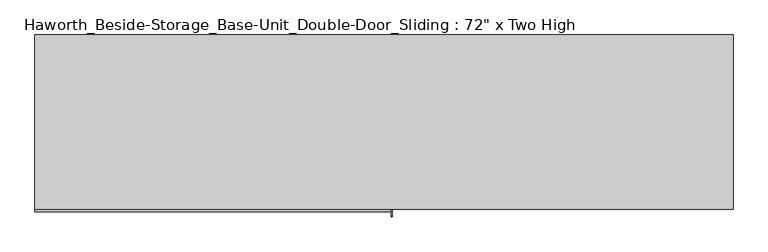
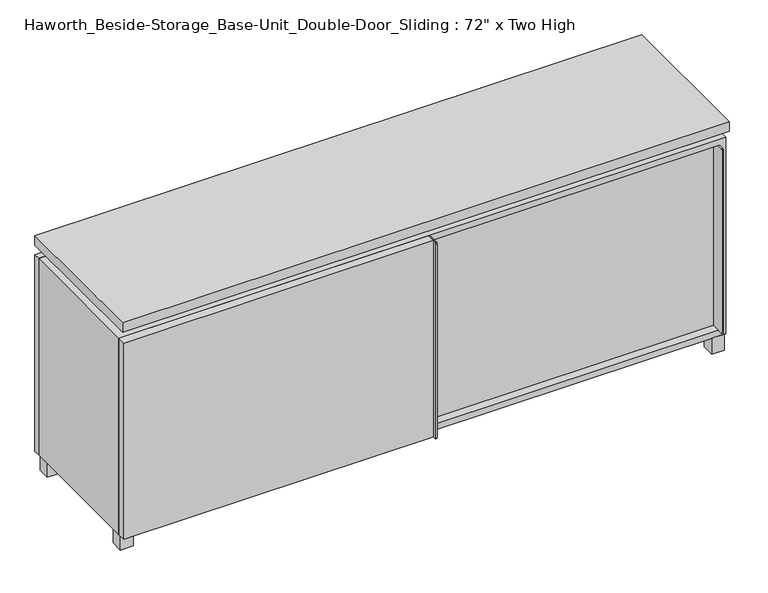
"""IFC4 building model written with IfcOpenShell, lengths in millimetres: furniture geometry."""

from ifc_helpers import new_model, si_unit, point, frame, frame_2d, origin, origin_with_axes, place, context, project, spatial, polyline, circle_curve, trimmed, segment, composite_curve, outline, extrude, faceted_brep, source, transform, mapped, element, save


def furniture_21020e76(model_context):
    return source(origin(), model_context, "Body", "SolidModel", [
        extrude(outline(polyline([(9.5319453, 241.3), (895.3569453, 241.3), (895.3569453, -92.075), (9.5319453, -92.075), (9.5319453, 241.3)])), frame((0.0, 0.0, 354.0125), z_axis=(0.0, 0.0, 1.0), x_axis=(1.0, 0.0, 0.0)), (0.0, 0.0, 1.0), 19.05),
        extrude(outline(polyline([(-9.5041641, 241.3), (-9.5041641, -92.075), (-895.3291641, -92.075), (-895.3291641, 241.3), (-9.5041641, 241.3)])), frame((0.0, 0.0, 354.0125), z_axis=(0.0, 0.0, 1.0), x_axis=(1.0, 0.0, 0.0)), (0.0, 0.0, 1.0), 19.05),
        extrude(outline(polyline([(-19.0361094, 88.9), (19.0638906, 88.9), (19.0638906, 50.8), (-19.0361094, 50.8), (-19.0361094, 88.9)])), origin_with_axes(), (0.0, 0.0, 1.0), 50.8),
        extrude(outline(composite_curve([segment(polyline([(-95.25, 657.225), (-95.25, 69.85), (-161.925, 69.85)]), True, "CONTINUOUS"), segment(trimmed(circle_curve(frame_2d((-161.925, 73.025)), 3.175), [point((-161.925, 69.85))], [point((-165.1, 73.025))], False, "CARTESIAN"), True, "CONTINUOUS"), segment(polyline([(-165.1, 73.025), (-165.1, 654.05)]), True, "CONTINUOUS"), segment(trimmed(circle_curve(frame_2d((-161.925, 654.05)), 3.175), [point((-165.1, 654.05))], [point((-161.925, 657.225))], False, "CARTESIAN"), True, "CONTINUOUS"), segment(polyline([(-161.925, 657.225), (-95.25, 657.225)]), True, "CONTINUOUS")], self_intersect=False)), frame((892.1819453, 0.0, 0.0), z_axis=(1.0, 0.0, 0.0), x_axis=(0.0, 1.0, 0.0)), (0.0, 0.0, 1.0), 3.175),
        extrude(outline(polyline([(15.8819453, -95.25), (892.1819453, -95.25), (892.1819453, -120.65), (15.8819453, -120.65), (15.8819453, -95.25)])), frame((0.0, 0.0, 69.85), z_axis=(0.0, 0.0, 1.0), x_axis=(1.0, 0.0, 0.0)), (0.0, 0.0, 1.0), 587.375),
        extrude(outline(polyline([(914.4138906, 292.1), (914.4138906, -165.1), (-914.3861094, -165.1), (-914.3861094, 292.1), (914.4138906, 292.1)])), frame((0.0, 0.0, 706.4375), z_axis=(0.0, 0.0, 1.0), x_axis=(1.0, 0.0, 0.0)), (0.0, 0.0, 1.0), 30.1625),
        extrude(outline(composite_curve([segment(polyline([(-146.05, 676.275), (-146.05, 50.8), (-180.975, 50.8)]), True, "CONTINUOUS"), segment(trimmed(circle_curve(frame_2d((-180.975, 53.975)), 3.175), [point((-180.975, 50.8))], [point((-184.15, 53.975))], False, "CARTESIAN"), True, "CONTINUOUS"), segment(polyline([(-184.15, 53.975), (-184.15, 673.1)]), True, "CONTINUOUS"), segment(trimmed(circle_curve(frame_2d((-180.975, 673.1)), 3.175), [point((-184.15, 673.1))], [point((-180.975, 676.275))], False, "CARTESIAN"), True, "CONTINUOUS"), segment(polyline([(-180.975, 676.275), (-146.05, 676.275)]), True, "CONTINUOUS")], self_intersect=False)), frame((19.0638906, 0.0, 0.0), z_axis=(1.0, 0.0, 0.0), x_axis=(0.0, 1.0, 0.0)), (0.0, 0.0, 1.0), 3.175),
        extrude(outline(polyline([(-914.3861094, -146.05), (19.0638906, -146.05), (19.0638906, -171.45), (-914.3861094, -171.45), (-914.3861094, -146.05)])), frame((0.0, 0.0, 50.8), z_axis=(0.0, 0.0, 1.0), x_axis=(1.0, 0.0, 0.0)), (0.0, 0.0, 1.0), 625.475),
        extrude(outline(polyline([(871.5513906, -107.95), (909.6513906, -107.95), (909.6513906, -146.05), (871.5513906, -146.05), (871.5513906, -107.95)])), origin_with_axes(), (0.0, 0.0, 1.0), 50.8),
        extrude(outline(polyline([(871.5513906, 234.95), (871.5513906, 273.05), (909.6513906, 273.05), (909.6513906, 234.95), (871.5513906, 234.95)])), origin_with_axes(), (0.0, 0.0, 1.0), 50.8),
        extrude(outline(polyline([(-871.5236094, -107.95), (-871.5236094, -146.05), (-909.6236094, -146.05), (-909.6236094, -107.95), (-871.5236094, -107.95)])), origin_with_axes(), (0.0, 0.0, 1.0), 50.8),
        extrude(outline(polyline([(-871.5236094, 234.95), (-909.6236094, 234.95), (-909.6236094, 273.05), (-871.5236094, 273.05), (-871.5236094, 234.95)])), origin_with_axes(), (0.0, 0.0, 1.0), 50.8),
        faceted_brep([(7.9513906, -120.65, 706.4375), (7.9513906, -120.65, 676.275), (7.9513906, 53.975, 676.275), (7.9513906, 53.975, 706.4375), (7.9513906, 247.65, 676.275), (7.9513906, 247.65, 706.4375), (7.9513906, 73.025, 706.4375), (7.9513906, 73.025, 676.275), (-7.9236094, 247.65, 706.4375), (-7.9236094, 247.65, 676.275), (-7.9236094, 73.025, 676.275), (-7.9236094, 73.025, 706.4375), (-7.9236094, -120.65, 676.275), (-7.9236094, -120.65, 706.4375), (-7.9236094, 53.975, 706.4375), (-7.9236094, 53.975, 676.275), (-873.0833281, 73.025, 706.4375), (-873.1041641, 247.65, 706.4375), (-888.9791641, 247.65, 706.4375), (-888.9791641, -120.65, 706.4375), (-873.1041641, -120.65, 706.4375), (-873.1041641, 53.975, 706.4375), (873.1111094, 53.975, 706.4375), (873.1111094, -120.65, 706.4375), (888.9861094, -120.65, 706.4375), (888.9861094, 247.65, 706.4375), (873.1111094, 247.65, 706.4375), (873.1111094, 73.025, 706.4375), (-873.0833281, 53.975, 676.275), (-873.1041641, -120.65, 676.275), (-888.9791641, -120.65, 676.275), (-888.9791641, 247.65, 676.275), (-873.1041641, 247.65, 676.275), (-873.1041641, 73.025, 676.275), (873.1111094, 73.025, 676.275), (873.1111094, 247.65, 676.275), (888.9861094, 247.65, 676.275), (888.9861094, -120.65, 676.275), (873.1111094, -120.65, 676.275), (873.1111094, 53.975, 676.275)], [[[0, 1, 2, 3]], [[4, 5, 6, 7]], [[8, 9, 10, 11]], [[12, 13, 14, 15]], [[5, 8, 11, 16, 17, 18, 19, 20, 21, 14, 13, 0, 3, 22, 23, 24, 25, 26, 27, 6]], [[1, 12, 15, 28, 29, 30, 31, 32, 33, 10, 9, 4, 7, 34, 35, 36, 37, 38, 39, 2]], [[5, 4, 9, 8]], [[1, 0, 13, 12]], [[6, 27, 34, 7]], [[22, 3, 2, 39]], [[20, 29, 28, 21]], [[32, 17, 16, 33]], [[18, 31, 30, 19]], [[29, 20, 19, 30]], [[17, 32, 31, 18]], [[26, 35, 34, 27]], [[38, 23, 22, 39]], [[25, 24, 37, 36]], [[23, 38, 37, 24]], [[35, 26, 25, 36]], [[16, 11, 10, 33]], [[14, 21, 28, 15]]]),
        extrude(outline(polyline([(9.5388906, 241.3), (9.5388906, -95.25), (-9.5111094, -95.25), (-9.5111094, 241.3), (9.5388906, 241.3)])), frame((0.0, 0.0, 69.85), z_axis=(0.0, 0.0, 1.0), x_axis=(1.0, 0.0, 0.0)), (0.0, 0.0, 1.0), 587.375),
        extrude(outline(polyline([(15.8888906, -88.9), (15.8888906, -146.05), (-9.5111094, -146.05), (-9.5111094, -120.65), (3.1888906, -120.65), (3.1888906, -88.9), (15.8888906, -88.9)])), frame((0.0, 0.0, 69.85), z_axis=(0.0, 0.0, 1.0), x_axis=(1.0, 0.0, 0.0)), (0.0, 0.0, 1.0), 587.375),
        extrude(outline(polyline([(914.4138906, 273.05), (-914.3861094, 273.05), (-914.3861094, 292.1), (914.4138906, 292.1), (914.4138906, 273.05)])), frame((0.0, 0.0, 50.8), z_axis=(0.0, 0.0, 1.0), x_axis=(1.0, 0.0, 0.0)), (0.0, 0.0, 1.0), 625.475),
        extrude(outline(polyline([(50.8, -914.3861094), (50.8, 914.4), (676.275, 914.4), (676.275, -914.3861094), (50.8, -914.3861094)]), holes=[polyline([(69.85, -895.3361094), (657.225, -895.3361094), (657.225, 895.3361094), (69.85, 895.3361094), (69.85, -895.3361094)])]), frame((0.0, -146.05, 0.0), z_axis=(0.0, 1.0, 0.0), x_axis=(0.0, 0.0, 1.0)), (0.0, 0.0, 1.0), 419.1),
        extrude(outline(polyline([(-895.3291641, 241.3), (-895.3291641, 247.65), (895.3569453, 247.65), (895.3569453, 241.3), (-895.3291641, 241.3)])), frame((0.0, 0.0, 69.85), z_axis=(0.0, 0.0, 1.0), x_axis=(1.0, 0.0, 0.0)), (0.0, 0.0, 1.0), 587.375),
    ])


if __name__ == "__main__":
    model = new_model("IFC4")
    model_context = context("Model", 3, world=origin())
    ifc_project = project(units=[si_unit("LENGTHUNIT", "METRE", prefix="MILLI")], contexts=[model_context])
    site = spatial("IfcSite", under=ifc_project)
    building = spatial("IfcBuilding", under=site)
    placement = place(None, origin())
    furniture_shape = furniture_21020e76(model_context)
    element("IfcFurniture", 1, ObjectType="Haworth_Beside-Storage_Base-Unit_Double-Door_Sliding : 72\" x Two High", at=placement, inside=building, context=model_context, shape_type="MappedRepresentation", body=[
        mapped(furniture_shape, transform((0.0, 0.0, 0.0), x_axis=(1.0, 0.0, 0.0), y_axis=(0.0, 1.0, 0.0), z_axis=(0.0, 0.0, 1.0))),
    ])
    save(model, "model.ifc")
